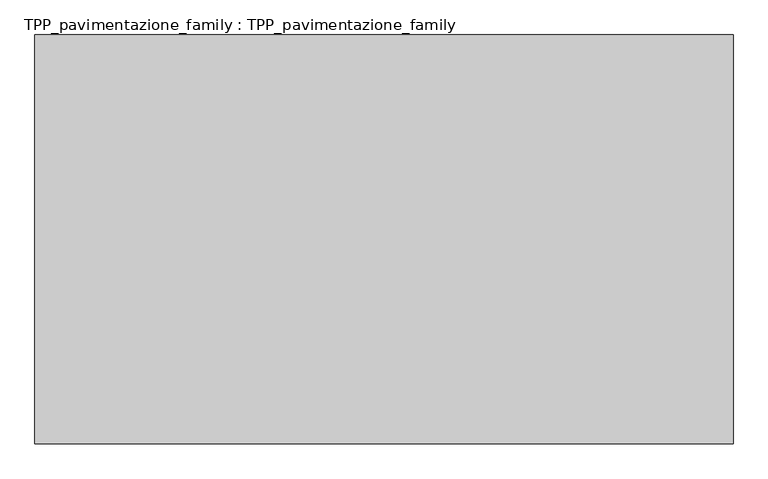
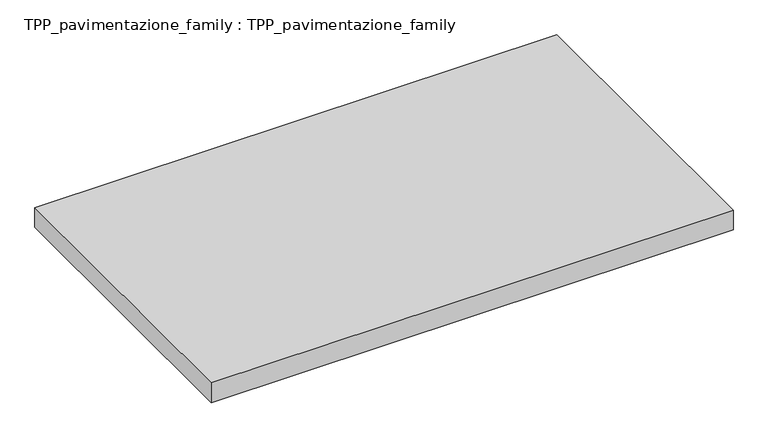
"""IFC4 building model written with IfcOpenShell, lengths in millimetres: proxy geometry, TPP_pavimentazione_family : TPP_pavimentazione_family."""

from ifc_helpers import new_model, si_unit, origin, origin_with_axes, place, context, project, spatial, polyline, outline, extrude, source, transform, mapped, element, save


def tpp_pavimentazione_family_tpp_pavimentazione_family_1dfe5160(model_context):
    return source(origin(), model_context, "Body", "SweptSolid", [
        extrude(outline(polyline([(511.8146187, 354.2201026), (511.8146187, -377.9810799), (-738.843273, -377.9810799), (-738.843273, 354.2201026), (511.8146187, 354.2201026)])), origin_with_axes(), (0.0, 0.0, 1.0), 50.0),
    ])


if __name__ == "__main__":
    model = new_model("IFC4")
    model_context = context("Model", 3, world=origin())
    ifc_project = project(units=[si_unit("LENGTHUNIT", "METRE", prefix="MILLI")], contexts=[model_context])
    site = spatial("IfcSite", under=ifc_project)
    building = spatial("IfcBuilding", under=site)
    placement = place(None, origin())
    tpp_pavimentazione_family_tpp_pavimentazione_family_shape = tpp_pavimentazione_family_tpp_pavimentazione_family_1dfe5160(model_context)
    element("IfcBuildingElementProxy", 1, Name="TPP_pavimentazione_family : TPP_pavimentazione_family", ObjectType="TPP_pavimentazione_family : TPP_pavimentazione_family", at=placement, inside=building, context=model_context, shape_type="MappedRepresentation", body=[
        mapped(tpp_pavimentazione_family_tpp_pavimentazione_family_shape, transform((0.0, 0.0, 0.0), x_axis=(1.0, 0.0, 0.0), y_axis=(0.0, 1.0, 0.0), z_axis=(0.0, 0.0, 1.0))),
    ])
    save(model, "model.ifc")
